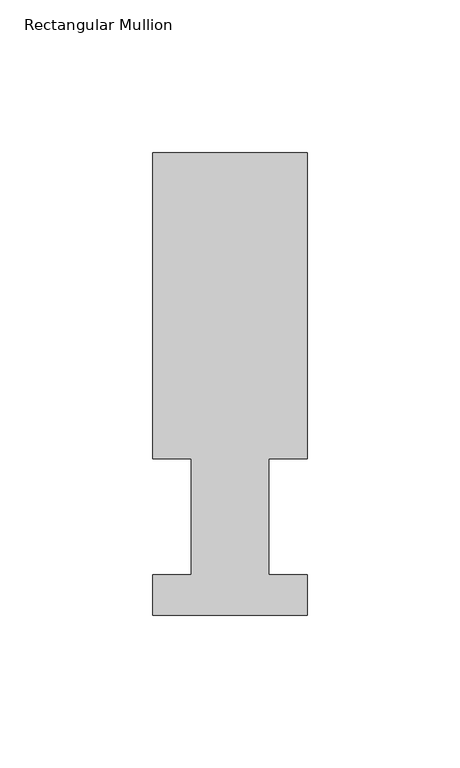
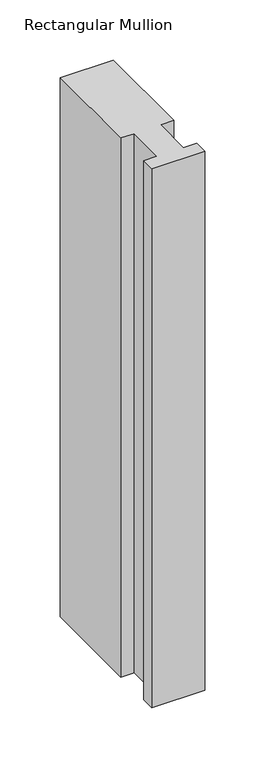
"""IFC4 building model written with IfcOpenShell, lengths in millimetres: member geometry, Rectangular Mullion."""

from ifc_helpers import new_model, si_unit, frame, origin, place, context, project, spatial, polyline, outline, extrude, source, transform, mapped, element, save


def rectangular_mullion_cfe7eaf1(model_context):
    return source(origin(), model_context, "Body", "SweptSolid", [
        extrude(outline(polyline([(0.0, 151.7022937), (50.8, 151.7022937), (50.8, 51.2960937), (38.1, 51.2960937), (38.1, 13.1960938), (50.8, 13.1960938), (50.8, 0.0134937), (0.0, 0.0134937), (0.0, 13.1960938), (12.7, 13.1960938), (12.7, 51.2960938), (0.0, 51.2960938), (0.0, 151.7022937)])), frame((0.0, 0.0, -546.0975441), z_axis=(0.0, 0.0, 1.0), x_axis=(1.0, 0.0, 0.0)), (0.0, 0.0, 1.0), 546.0975441),
    ])


if __name__ == "__main__":
    model = new_model("IFC4")
    model_context = context("Model", 3, world=origin())
    ifc_project = project(units=[si_unit("LENGTHUNIT", "METRE", prefix="MILLI")], contexts=[model_context])
    site = spatial("IfcSite", under=ifc_project)
    building = spatial("IfcBuilding", under=site)
    placement = place(None, origin())
    rectangular_mullion_shape = rectangular_mullion_cfe7eaf1(model_context)
    element("IfcMember", 1, ObjectType="Rectangular Mullion", at=placement, inside=building, context=model_context, shape_type="MappedRepresentation", body=[
        mapped(rectangular_mullion_shape, transform((0.0, 0.0, 0.0), x_axis=(1.0, 0.0, 0.0), y_axis=(0.0, 1.0, 0.0), z_axis=(0.0, 0.0, 1.0))),
    ])
    save(model, "model.ifc")
